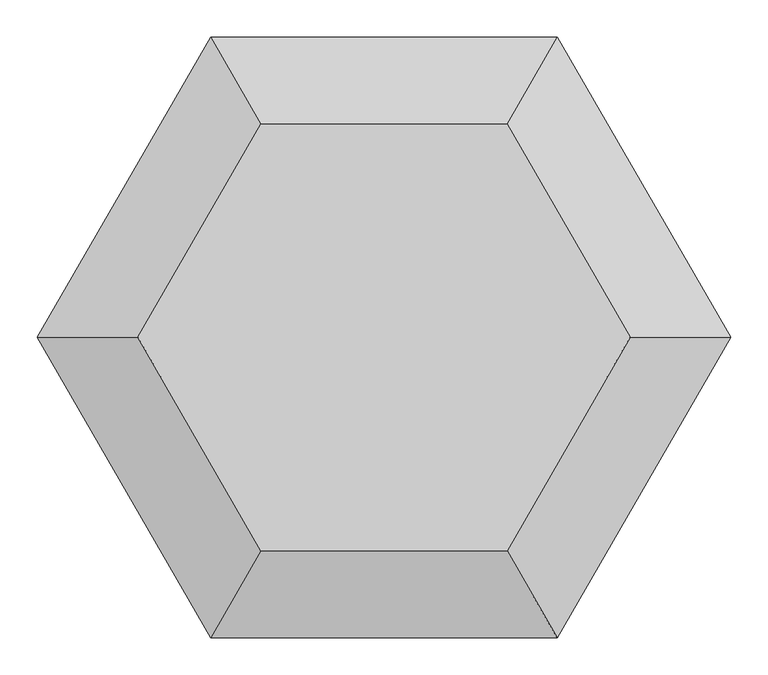
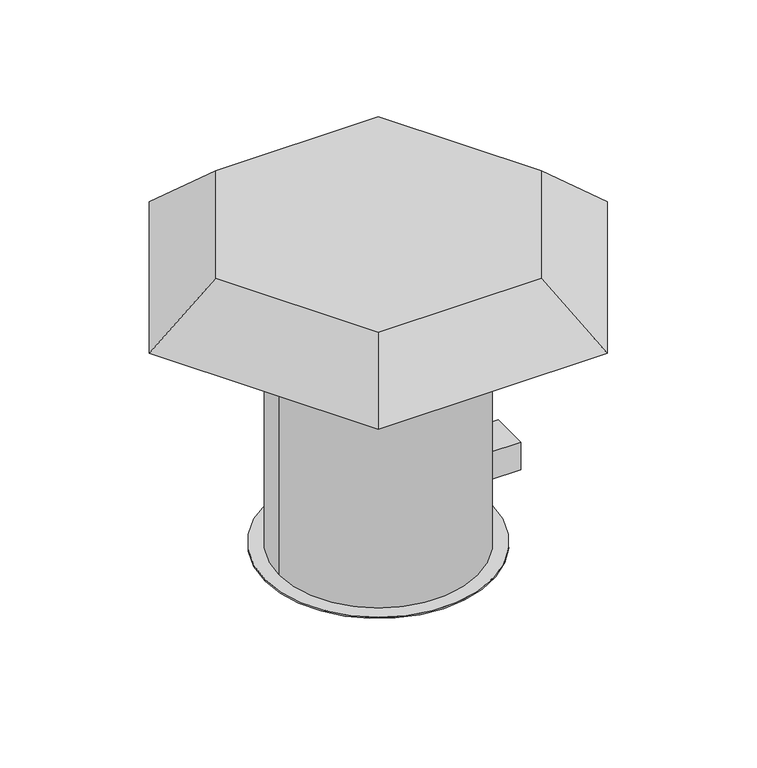
"""IFC4 building model written with IfcOpenShell, lengths in millimetres: proxy geometry."""

from ifc_helpers import new_model, si_unit, point, frame, frame_2d, origin, origin_with_axes, origin_2d, place, context, project, spatial, polyline, circle_curve, ellipse_curve, trimmed, segment, composite_curve, outline, extrude, faceted_brep, source, transform, mapped, element, save
from ifc_brep_helpers import plane_surface, cylinder_surface, revolved_surface, advanced_brep


def mechanical_equipment_2c3a9ad6(model_context):
    return source(origin(), model_context, "Body", "SolidModel", [
        extrude(outline(polyline([(286.0, 0.0), (271.8578644, -14.1421356), (268.3223305, -10.6066017), (278.9289322, 0.0), (268.3223305, 10.6066017), (271.8578644, 14.1421356), (286.0, 0.0)])), frame((0.0, 0.0, 540.0), z_axis=(0.0, 0.0, 1.0), x_axis=(1.0, 0.0, 0.0)), (0.0, 0.0, 1.0), 140.0),
        extrude(outline(polyline([(0.0, 286.0), (14.1421356, 271.8578644), (10.6066017, 268.3223305), (0.0, 278.9289322), (-10.6066017, 268.3223305), (-14.1421356, 271.8578644), (0.0, 286.0)])), frame((0.0, 0.0, 540.0), z_axis=(0.0, 0.0, 1.0), x_axis=(1.0, 0.0, 0.0)), (0.0, 0.0, 1.0), 140.0),
        extrude(outline(polyline([(-286.0, 0.0), (-271.8578644, 14.1421356), (-268.3223305, 10.6066017), (-278.9289322, 0.0), (-268.3223305, -10.6066017), (-271.8578644, -14.1421356), (-286.0, 0.0)])), frame((0.0, 0.0, 540.0), z_axis=(0.0, 0.0, 1.0), x_axis=(1.0, 0.0, 0.0)), (0.0, 0.0, 1.0), 140.0),
        extrude(outline(polyline([(0.0, -286.0), (-14.1421356, -271.8578644), (-10.6066017, -268.3223305), (0.0, -278.9289322), (10.6066017, -268.3223305), (14.1421356, -271.8578644), (0.0, -286.0)])), frame((0.0, 0.0, 540.0), z_axis=(0.0, 0.0, 1.0), x_axis=(1.0, 0.0, 0.0)), (0.0, 0.0, 1.0), 140.0),
        extrude(outline(composite_curve([segment(polyline([(197.3879429, 40.0), (266.0, 40.0), (266.0, -40.0), (197.5904856, -40.0)]), True, "CONTINUOUS"), segment(trimmed(circle_curve(frame_2d((0.0, -0.5)), 201.5), [point((197.5904856, -40.0))], [point((197.3879429, 40.0))], True, "CARTESIAN"), True, "CONTINUOUS")], self_intersect=False)), frame((0.0, 0.0, 90.0), z_axis=(0.0, 0.0, 1.0), x_axis=(1.0, 0.0, 0.0)), (0.0, 0.0, 1.0), 58.4933065),
        faceted_brep([(330.4778914, 0.0, 685.0), (165.3581895, 286.0, 685.0), (-165.3581895, 286.0, 685.0), (-330.4778914, 0.0, 685.0), (-165.3581895, -286.0, 685.0), (165.3581895, -286.0, 685.0), (465.0, 0.0, 570.8333333), (232.62, -402.5, 570.8333333), (-232.62, -402.5, 570.8333333), (-465.0, 0.0, 570.8333333), (-232.62, 402.5, 570.8333333), (232.62, 402.5, 570.8333333), (226.846454, 392.5, 570.8333333), (-226.846454, 392.5, 570.8333333), (-453.4530379, 0.0, 570.8333333), (-226.846454, -392.5, 570.8333333), (226.846454, -392.5, 570.8333333), (453.4530379, 0.0, 570.8333333), (159.5846436, 276.0, 675.0), (318.9309293, 0.0, 675.0), (159.5846436, -276.0, 675.0), (-159.5846436, -276.0, 675.0), (-318.9309293, 0.0, 675.0), (-159.5846436, 276.0, 675.0)], [[[0, 1, 2, 3, 4, 5]], [[6, 7, 8, 9, 10, 11], [12, 13, 14, 15, 16, 17]], [[1, 0, 6, 11]], [[3, 2, 10, 9]], [[4, 3, 9, 8]], [[5, 4, 8, 7]], [[0, 5, 7, 6]], [[2, 1, 11, 10]], [[18, 19, 20, 21, 22, 23]], [[18, 23, 13, 12]], [[23, 22, 14, 13]], [[22, 21, 15, 14]], [[21, 20, 16, 15]], [[20, 19, 17, 16]], [[19, 18, 12, 17]]]),
        advanced_brep(
        [(0.0, -286.0, 537.5232269), (0.0, 286.0, 537.5232269), (0.0, -266.0, 537.5232269), (0.0, 266.0, 537.5232269), (0.0, -286.0, 540.0), (0.0, 286.0, 540.0), (0.0, -266.0, 540.0), (0.0, 266.0, 540.0)],
        [
            (0, 1, circle_curve(frame((0.0, 0.0, 537.5232269), z_axis=(0.0, 0.0, -1.0), x_axis=(0.0, 1.0, 0.0)), 286.0)),
            (1, 0, circle_curve(frame((0.0, 0.0, 537.5232269), z_axis=(0.0, 0.0, -1.0), x_axis=(0.0, 1.0, 0.0)), 286.0)),
            (2, 3, circle_curve(frame((0.0, 0.0, 537.5232269), z_axis=(0.0, 0.0, 1.0), x_axis=(0.0, 1.0, 0.0)), 266.0)),
            (3, 2, circle_curve(frame((0.0, 0.0, 537.5232269), z_axis=(0.0, 0.0, 1.0), x_axis=(0.0, 1.0, 0.0)), 266.0)),
            (4, 5, circle_curve(frame((0.0, 0.0, 540.0), z_axis=(0.0, 0.0, 1.0), x_axis=(0.0, 1.0, 0.0)), 286.0)),
            (5, 4, circle_curve(frame((0.0, 0.0, 540.0), z_axis=(0.0, 0.0, 1.0), x_axis=(0.0, 1.0, 0.0)), 286.0)),
            (6, 7, circle_curve(frame((0.0, 0.0, 540.0), z_axis=(0.0, 0.0, -1.0), x_axis=(0.0, 1.0, 0.0)), 266.0)),
            (7, 6, circle_curve(frame((0.0, 0.0, 540.0), z_axis=(0.0, 0.0, -1.0), x_axis=(0.0, 1.0, 0.0)), 266.0)),
            (3, 7),
            (6, 2),
            (1, 5),
            (4, 0),
        ],
        [
            plane_surface(frame((0.0, 266.0, 537.5232269), z_axis=(0.0, 0.0, -1.0), x_axis=(-1.0, 0.0, 0.0))),
            plane_surface(frame((0.0, 266.0, 540.0), z_axis=(0.0, 0.0, 1.0), x_axis=(1.0, 0.0, 0.0))),
            revolved_surface(polyline([(0.0, 266.0, 537.5232269), (0.0, 266.0, 540.0)]), (0.0, 0.0, 537.5232269), (0.0, 0.0, -1.0)),
            cylinder_surface(frame((0.0, 0.0, 540.0), z_axis=(0.0, 0.0, 1.0), x_axis=(0.0, 1.0, 0.0)), 286.0),
        ],
        [
            (0, [[1, 2], [3, 4]]),
            (1, [[5, 6], [7, 8]]),
            (2, [[-4, 9, -7, 10]]),
            (2, [[-3, -10, -8, -9]]),
            (3, [[-2, 11, -5, 12]]),
            (3, [[-1, -12, -6, -11]]),
        ],
    ),
        advanced_brep(
        [(200.0, 0.0, 440.0), (-200.0, 0.0, 440.0), (-201.5, 0.0, 440.0), (201.5, 0.0, 440.0), (266.0, 0.0, 540.0), (-266.0, 0.0, 540.0), (-264.5, 0.0, 540.0), (264.5, 0.0, 540.0)],
        [
            (0, 1, circle_curve(frame((0.0, 0.0, 440.0), z_axis=(0.0, 0.0, 1.0), x_axis=(-1.0, 0.0, 0.0)), 200.0)),
            (1, 2),
            (2, 3, circle_curve(frame((0.0, 0.0, 440.0), z_axis=(0.0, 0.0, -1.0), x_axis=(-1.0, 0.0, 0.0)), 201.5)),
            (3, 0),
            (1, 0, circle_curve(frame((0.0, 0.0, 440.0), z_axis=(0.0, 0.0, 1.0), x_axis=(-1.0, 0.0, 0.0)), 200.0)),
            (3, 2, circle_curve(frame((0.0, 0.0, 440.0), z_axis=(0.0, 0.0, -1.0), x_axis=(-1.0, 0.0, 0.0)), 201.5)),
            (4, 5, circle_curve(frame((0.0, 0.0, 540.0), z_axis=(0.0, 0.0, 1.0), x_axis=(-1.0, 0.0, 0.0)), 266.0)),
            (5, 6),
            (6, 7, circle_curve(frame((0.0, 0.0, 540.0), z_axis=(0.0, 0.0, -1.0), x_axis=(-1.0, 0.0, 0.0)), 264.5)),
            (7, 4),
            (5, 4, circle_curve(frame((0.0, 0.0, 540.0), z_axis=(0.0, 0.0, 1.0), x_axis=(-1.0, 0.0, 0.0)), 266.0)),
            (7, 6, circle_curve(frame((0.0, 0.0, 540.0), z_axis=(0.0, 0.0, -1.0), x_axis=(-1.0, 0.0, 0.0)), 264.5)),
            (6, 1, circle_curve(frame((-304.9618186, 0.0, 443.100877), z_axis=(0.0, 1.0, 0.0), x_axis=(1.0, 0.0, 0.0)), 105.0076131)),
            (0, 7, circle_curve(frame((304.9618186, 0.0, 443.100877), z_axis=(0.0, 1.0, 0.0), x_axis=(-1.0, 0.0, 0.0)), 105.0076131)),
            (2, 5, circle_curve(frame((-306.4618186, 0.0, 443.100877), z_axis=(0.0, -1.0, 0.0), x_axis=(1.0, 0.0, 0.0)), 105.0076131)),
            (4, 3, circle_curve(frame((306.4618186, 0.0, 443.100877), z_axis=(0.0, -1.0, 0.0), x_axis=(-1.0, 0.0, 0.0)), 105.0076131)),
        ],
        [
            plane_surface(frame((0.0, 0.0, 440.0), z_axis=(0.0, 0.0, -1.0), x_axis=(-1.0, 0.0, 0.0))),
            plane_surface(frame((0.0, 0.0, 540.0), z_axis=(0.0, 0.0, 1.0), x_axis=(-1.0, 0.0, 0.0))),
            revolved_surface(trimmed(ellipse_curve(frame((-304.9618186, 0.0, 443.100877), z_axis=(0.0, -1.0, 0.0), x_axis=(1.0, 0.0, 0.0)), 105.0076131, 105.0076131), [point((-200.0, 0.0, 440.0))], [point((-264.5, 0.0, 540.0))], True, "CARTESIAN"), (0.0, 0.0, -381.0), (0.0, 0.0, -1.0)),
            revolved_surface(trimmed(ellipse_curve(frame((-306.4618186, 0.0, 443.100877), z_axis=(0.0, 1.0, 0.0), x_axis=(1.0, 0.0, 0.0)), 105.0076131, 105.0076131), [point((-266.0, 0.0, 540.0))], [point((-201.5, 0.0, 440.0))], True, "CARTESIAN"), (0.0, 0.0, -381.0), (0.0, 0.0, -1.0)),
        ],
        [
            (0, [[1, 2, 3, 4]]),
            (0, [[5, -4, 6, -2]]),
            (1, [[7, 8, 9, 10]]),
            (1, [[11, -10, 12, -8]]),
            (2, [[-9, 13, -1, 14]]),
            (2, [[-12, -14, -5, -13]]),
            (3, [[-3, 15, -7, 16]]),
            (3, [[-6, -16, -11, -15]]),
        ],
    ),
        extrude(outline(composite_curve([segment(trimmed(circle_curve(origin_2d(), 230.0), [point((-230.0, 0.0))], [point((230.0, 0.0))], False, "CARTESIAN"), True, "CONTINUOUS"), segment(trimmed(circle_curve(origin_2d(), 230.0), [point((230.0, 0.0))], [point((-230.0, 0.0))], False, "CARTESIAN"), True, "CONTINUOUS")], self_intersect=False)), frame((0.0, 0.0, 437.0), z_axis=(0.0, 0.0, 1.0), x_axis=(1.0, 0.0, 0.0)), (0.0, 0.0, 1.0), 3.0),
        extrude(outline(composite_curve([segment(trimmed(circle_curve(origin_2d(), 201.5), [point((-201.5, 0.0))], [point((201.5, 0.0))], False, "CARTESIAN"), True, "CONTINUOUS"), segment(trimmed(circle_curve(origin_2d(), 201.5), [point((201.5, 0.0))], [point((-201.5, 0.0))], False, "CARTESIAN"), True, "CONTINUOUS")], self_intersect=False), holes=[composite_curve([segment(trimmed(circle_curve(origin_2d(), 200.0), [point((-200.0, 0.0))], [point((200.0, 0.0))], True, "CARTESIAN"), True, "CONTINUOUS"), segment(trimmed(circle_curve(origin_2d(), 200.0), [point((200.0, 0.0))], [point((-200.0, 0.0))], True, "CARTESIAN"), True, "CONTINUOUS")], self_intersect=False)]), origin_with_axes(), (0.0, 0.0, 1.0), 440.0),
        extrude(outline(composite_curve([segment(trimmed(circle_curve(origin_2d(), 230.0), [point((-230.0, 0.0))], [point((230.0, 0.0))], False, "CARTESIAN"), True, "CONTINUOUS"), segment(trimmed(circle_curve(origin_2d(), 230.0), [point((230.0, 0.0))], [point((-230.0, 0.0))], False, "CARTESIAN"), True, "CONTINUOUS")], self_intersect=False)), origin_with_axes(), (0.0, 0.0, 1.0), 3.0),
    ])


if __name__ == "__main__":
    model = new_model("IFC4")
    model_context = context("Model", 3, world=origin())
    ifc_project = project(units=[si_unit("LENGTHUNIT", "METRE", prefix="MILLI")], contexts=[model_context])
    site = spatial("IfcSite", under=ifc_project)
    building = spatial("IfcBuilding", under=site)
    placement = place(None, origin())
    mechanical_equipment_shape = mechanical_equipment_2c3a9ad6(model_context)
    element("IfcBuildingElementProxy", 1, Name="Mechanical Equipment", at=placement, inside=building, context=model_context, shape_type="MappedRepresentation", body=[
        mapped(mechanical_equipment_shape, transform((0.0, 0.0, 0.0), x_axis=(1.0, 0.0, 0.0), y_axis=(0.0, 1.0, 0.0), z_axis=(0.0, 0.0, 1.0))),
    ])
    save(model, "model.ifc")
